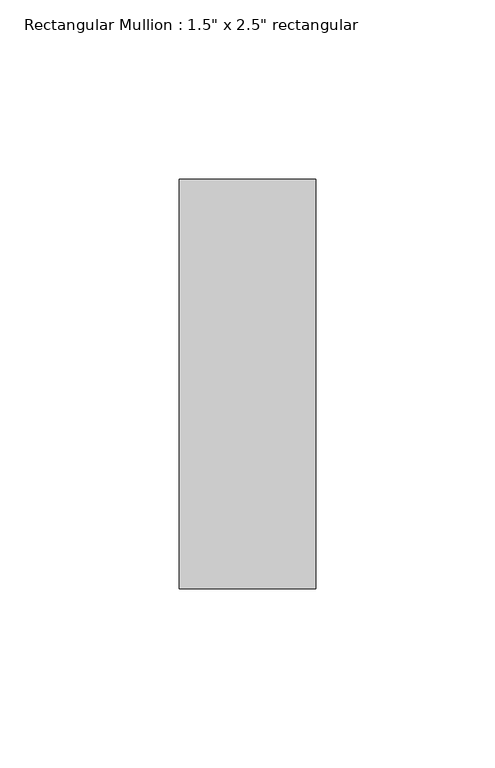
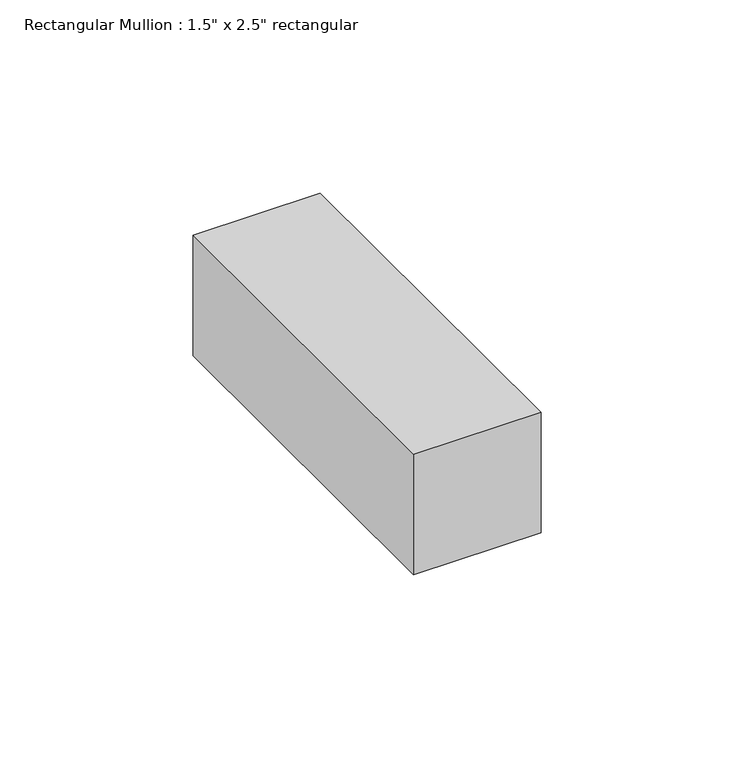
"""IFC4 building model written with IfcOpenShell, lengths in millimetres: member geometry."""

from ifc_helpers import new_model, si_unit, frame, origin, place, context, project, spatial, polyline, outline, extrude, source, transform, mapped, element, save


def member_5e6ba47c(model_context):
    return source(origin(), model_context, "Body", "SweptSolid", [
        extrude(outline(polyline([(0.0, 57.15), (0.0, -57.15), (-38.1, -57.15), (-38.1, 57.15), (0.0, 57.15)])), frame((0.0, 0.0, -38.1), z_axis=(0.0, 0.0, 1.0), x_axis=(1.0, 0.0, 0.0)), (0.0, 0.0, 1.0), 38.1),
    ])


if __name__ == "__main__":
    model = new_model("IFC4")
    model_context = context("Model", 3, world=origin())
    ifc_project = project(units=[si_unit("LENGTHUNIT", "METRE", prefix="MILLI")], contexts=[model_context])
    site = spatial("IfcSite", under=ifc_project)
    building = spatial("IfcBuilding", under=site)
    placement = place(None, origin())
    member_shape = member_5e6ba47c(model_context)
    element("IfcMember", 1, ObjectType="Rectangular Mullion : 1.5\" x 2.5\" rectangular", at=placement, inside=building, context=model_context, shape_type="MappedRepresentation", body=[
        mapped(member_shape, transform((0.0, 0.0, 0.0), x_axis=(1.0, 0.0, 0.0), y_axis=(0.0, 1.0, 0.0), z_axis=(0.0, 0.0, 1.0))),
    ])
    save(model, "model.ifc")
